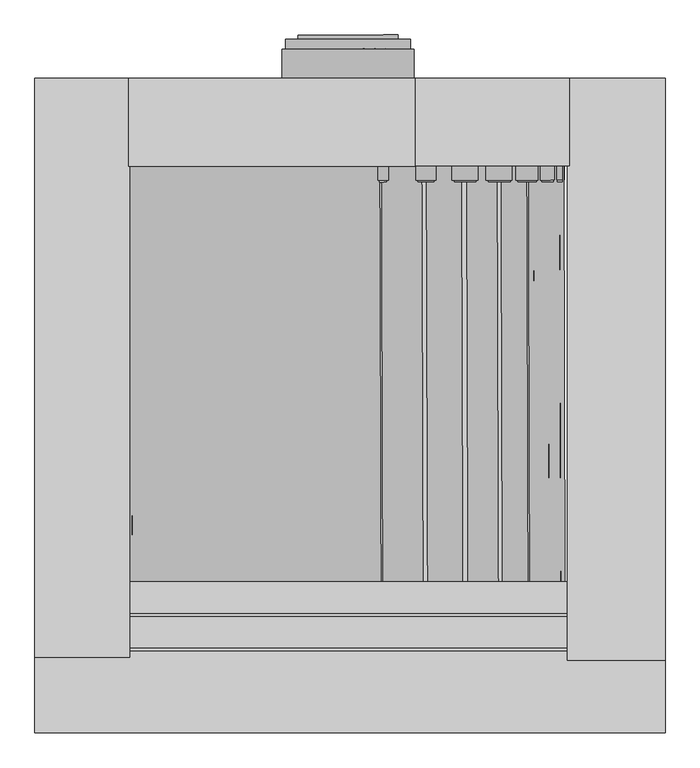
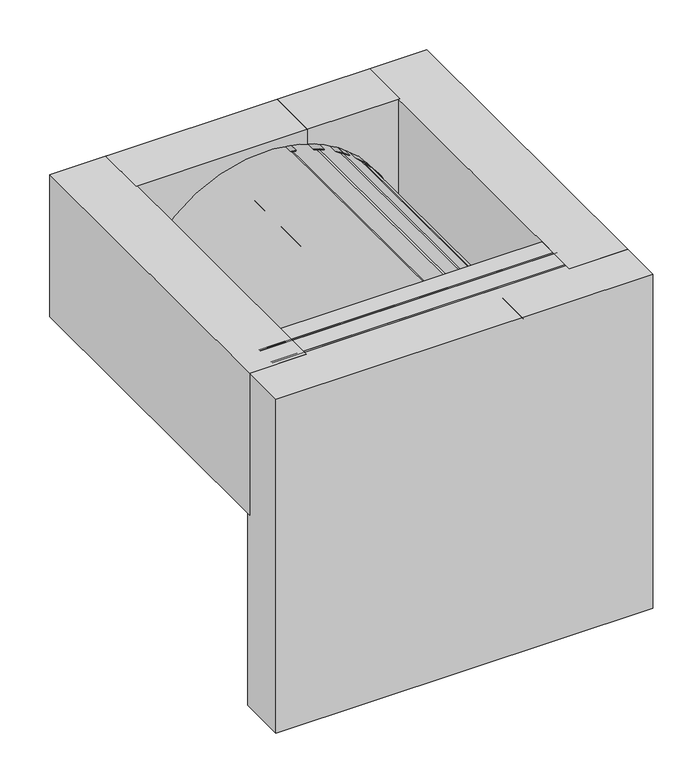
"""IFC4 building model written with IfcOpenShell, lengths in millimetres: proxy geometry."""

from ifc_helpers import new_model, si_unit, point, frame, origin, origin_2d, place, context, project, spatial, polyline, circle_curve, trimmed, segment, composite_curve, outline, extrude, source, transform, mapped, element, save


def generic_models_867c4f5e(model_context):
    return source(origin(), model_context, "Body", "SweptSolid", [
        extrude(outline(composite_curve([segment(trimmed(circle_curve(origin_2d(), 1380.0), [point((1379.8946179, -17.0541328))], [point((1380.0, 0.0))], False, "CARTESIAN"), True, "CONTINUOUS"), segment(polyline([(1380.0, 0.0), (0.0, 0.0), (1379.8946179, -17.0541328)]), True, "CONTINUOUS")], self_intersect=False)), frame((3578.5340826, 662.6848747, 0.0), z_axis=(-0.0029786797140731445, 0.9999955637237402, 0.0), x_axis=(0.8845773216527129, 0.002634884212610371, -0.4663861269408637)), (0.0, 0.0, 1.0), 103.7405281),
        extrude(outline(polyline([(4001.5173532, 755.1207534), (2173.0682724, 755.1207534), (2173.0682724, 1315.6937805), (4001.5173532, 1315.6937805), (4001.5173532, 755.1207534)])), frame((0.0, 0.0, -127.5172633), z_axis=(0.0, 0.0, 1.0), x_axis=(1.0, 0.0, 0.0)), (0.0, 0.0, 1.0), 1604.3415678),
        extrude(outline(polyline([(4989.9664339, 758.7127185), (4001.5173532, 758.7127185), (4001.5173532, 1315.6937805), (4989.9664339, 1315.6937805), (4989.9664339, 758.7127185)])), frame((0.0, 0.0, -127.5172633), z_axis=(0.0, 0.0, 1.0), x_axis=(1.0, 0.0, 0.0)), (0.0, 0.0, 1.0), 1604.3415678),
        extrude(outline(polyline([(5600.0, -2400.0), (4976.6068073, -2400.0), (4976.6068073, 1315.6937805), (5600.0, 1315.6937805), (5600.0, -2400.0)])), frame((0.0, 0.0, -127.5172633), z_axis=(0.0, 0.0, 1.0), x_axis=(1.0, 0.0, 0.0)), (0.0, 0.0, 1.0), 1604.3415678),
        extrude(outline(polyline([(2181.3561707, -2379.8491594), (1574.6878726, -2379.8491594), (1574.6878726, 1315.6937805), (2181.3561707, 1315.6937805), (2181.3561707, -2379.8491594)])), frame((0.0, 0.0, -127.5172633), z_axis=(0.0, 0.0, 1.0), x_axis=(1.0, 0.0, 0.0)), (0.0, 0.0, 1.0), 1604.3415678),
        extrude(outline(polyline([(5600.0, -2863.418806), (1574.6878726, -2863.418806), (1574.6878726, -2343.2679654), (5600.0, -2343.2679654), (5600.0, -2863.418806)])), frame((0.0, 0.0, -2295.265142), z_axis=(0.0, 0.0, 1.0), x_axis=(1.0, 0.0, 0.0)), (0.0, 0.0, 1.0), 3772.0894465),
        extrude(outline(polyline([(5300.0, -2343.2679654), (1839.9246698, -2343.2679654), (1839.9246698, -2323.418806), (5300.0, -2323.418806), (5300.0, -2343.2679654)])), frame((0.0, 0.0, -1967.1644979), z_axis=(0.0, 0.0, 1.0), x_axis=(1.0, 0.0, 0.0)), (0.0, 0.0, 1.0), 3443.9888025),
        extrude(outline(polyline([(5300.0, -2323.418806), (1839.9246698, -2323.418806), (1839.9246698, -2121.1364409), (5300.0, -2121.1364409), (5300.0, -2323.418806)])), frame((0.0, 0.0, -1695.2240481), z_axis=(0.0, 0.0, 1.0), x_axis=(1.0, 0.0, 0.0)), (0.0, 0.0, 1.0), 3172.0483526),
        extrude(outline(polyline([(5300.0, -2121.1364409), (1839.9246698, -2121.1364409), (1839.9246698, -2101.2872815), (5300.0, -2101.2872815), (5300.0, -2121.1364409)])), frame((0.0, 0.0, -1780.3229789), z_axis=(0.0, 0.0, 1.0), x_axis=(1.0, 0.0, 0.0)), (0.0, 0.0, 1.0), 3257.1472834),
        extrude(outline(polyline([(5300.0, -2101.2872815), (1839.9246698, -2101.2872815), (1839.9246698, -1899.0049163), (5300.0, -1899.0049163), (5300.0, -2101.2872815)])), frame((0.0, 0.0, -1403.0072383), z_axis=(0.0, 0.0, 1.0), x_axis=(1.0, 0.0, 0.0)), (0.0, 0.0, 1.0), 2879.8315428),
        extrude(outline(composite_curve([segment(trimmed(circle_curve(origin_2d(), 320.0), [point((319.9878381, -2.7898795))], [point((319.9999999, 0.0))], False, "CARTESIAN"), True, "CONTINUOUS"), segment(polyline([(319.9999999, 0.0), (0.0, 0.0), (319.9878381, -2.7898795)]), True, "CONTINUOUS")], self_intersect=False)), frame((3574.6185208, 1564.8131758, 0.0), z_axis=(-0.0029786797140731454, 0.9999955637237403, 0.0), x_axis=(-0.9333790143396117, -0.002780249469509706, -0.35888143697229924)), (0.0, 0.0, 1.0), 26.7447521),
        extrude(outline(composite_curve([segment(trimmed(circle_curve(origin_2d(), 420.0), [point((419.8776148, -10.1384725))], [point((420.0, 0.0))], False, "CARTESIAN"), True, "CONTINUOUS"), segment(polyline([(420.0, 0.0), (280.0, 0.0)]), True, "CONTINUOUS"), segment(trimmed(circle_curve(origin_2d(), 280.0), [point((280.0, 0.0))], [point((279.9184098, -6.7589817))], True, "CARTESIAN"), True, "CONTINUOUS"), segment(polyline([(279.9184098, -6.7589817), (419.8776148, -10.1384725)]), True, "CONTINUOUS")], self_intersect=False)), frame((3576.7905384, 735.2610546, 0.0), z_axis=(-0.0029786797140731467, 0.9999955637237403, 0.0), x_axis=(-0.9807152392777102, -0.0029212495479889254, -0.1954202797806361)), (0.0, 0.0, 1.0), 765.7975203),
        extrude(outline(composite_curve([segment(trimmed(circle_curve(origin_2d(), 1400.0), [point((320.7748585, -1362.7558439))], [point((1400.0, 0.0))], False, "CARTESIAN"), True, "CONTINUOUS"), segment(polyline([(1400.0, 0.0), (1220.0, 0.0)]), True, "CONTINUOUS"), segment(trimmed(circle_curve(origin_2d(), 1220.0), [point((1220.0, 0.0))], [point((279.5323768, -1187.5443782))], True, "CARTESIAN"), True, "CONTINUOUS"), segment(polyline([(279.5323768, -1187.5443782), (320.7748585, -1362.7558439)]), True, "CONTINUOUS")], self_intersect=False)), frame((3563.8111852, -1917.5740261, -12.4291167), z_axis=(-0.002978679714073146, 0.9999955637237403, 0.0), x_axis=(-0.8028547008193806, -0.0023914576198456185, -0.5961699508551864)), (0.0, 0.0, 1.0), 2672.0887263),
        extrude(outline(composite_curve([segment(trimmed(circle_curve(origin_2d(), 400.0), [point((399.9998019, -0.3981173))], [point((400.0, 0.0))], False, "CARTESIAN"), True, "CONTINUOUS"), segment(polyline([(400.0, 0.0), (0.0, 0.0), (399.9998019, -0.3981173)]), True, "CONTINUOUS")], self_intersect=False)), frame((3574.6185208, 1495.2613933, 0.0), z_axis=(-0.0029786797140731462, 0.9999955637237403, 0.0), x_axis=(0.8898196631969205, 0.002650499538296244, -0.4563046590166669)), (0.0, 0.0, 1.0), 69.5520911),
        extrude(outline(composite_curve([segment(trimmed(circle_curve(origin_2d(), 1380.0), [point((-917.8179008, -1030.5388402))], [point((1379.9999999, -1e-07))], False, "CARTESIAN"), True, "CONTINUOUS"), segment(polyline([(1379.9999999, -1e-07), (0.0, 0.0), (-917.8179008, -1030.5388402)]), True, "CONTINUOUS")], self_intersect=False)), frame((3573.9156392, -1914.4244368, 0.0), z_axis=(-0.0029786797140731467, 0.9999955637237403, 0.0), x_axis=(-0.9321982025964873, -0.0027767321939207177, -0.3619375648287997)), (0.0, 0.0, 1.0), 103.7405281),
        extrude(outline(composite_curve([segment(trimmed(circle_curve(origin_2d(), 400.0), [point((-266.0341741, -298.7069102))], [point((400.0, 0.0))], False, "CARTESIAN"), True, "CONTINUOUS"), segment(polyline([(400.0, 0.0), (280.0, -1e-07)]), True, "CONTINUOUS"), segment(trimmed(circle_curve(origin_2d(), 280.0), [point((280.0, -1e-07))], [point((-186.2239219, -209.0948372))], True, "CARTESIAN"), True, "CONTINUOUS"), segment(polyline([(-186.2239219, -209.0948372), (-266.0341741, -298.7069102)]), True, "CONTINUOUS")], self_intersect=False)), frame((3574.6185208, 735.2613933, 0.0), z_axis=(-0.0029786797140731467, 0.9999955637237403, 0.0), x_axis=(-0.9321982025964873, -0.0027767321939207177, -0.3619375648287997)), (0.0, 0.0, 1.0), 767.3561211),
        extrude(outline(composite_curve([segment(trimmed(circle_curve(origin_2d(), 1380.0), [point((1379.894618, -17.0541328))], [point((1380.0, 0.0))], False, "CARTESIAN"), True, "CONTINUOUS"), segment(polyline([(1380.0, 0.0), (0.0, 0.0), (1379.894618, -17.0541328)]), True, "CONTINUOUS")], self_intersect=False)), frame((3576.8523865, 652.2304047, 0.0), z_axis=(-0.0029786797140731445, 0.9999955637237402, 0.0), x_axis=(0.8845773216527129, 0.002634884212610371, -0.4663861269408637)), (0.0, 0.0, 1.0), 103.7405281),
        extrude(outline(composite_curve([segment(trimmed(circle_curve(origin_2d(), 1380.0), [point((1379.9958241, -3.3949252))], [point((1380.0, 0.0))], False, "CARTESIAN"), True, "CONTINUOUS"), segment(polyline([(1380.0, 0.0), (1240.0, 0.0)]), True, "CONTINUOUS"), segment(trimmed(circle_curve(origin_2d(), 1240.0), [point((1240.0, 0.0))], [point((1239.9962478, -3.0505125))], True, "CARTESIAN"), True, "CONTINUOUS"), segment(polyline([(1239.9962478, -3.0505125), (1379.9958241, -3.3949252)]), True, "CONTINUOUS")], self_intersect=False)), frame((3572.2056923, -1903.6130108, 0.0), z_axis=(-0.002978679714073145, 0.9999955637237402, 0.0), x_axis=(0.889150316915928, 0.0026485057612624153, -0.45760758226403697)), (0.0, 0.0, 1.0), 2652.5299616),
        extrude(outline(composite_curve([segment(trimmed(circle_curve(origin_2d(), 1380.0), [point((784.5665708, -1135.2776296))], [point((1379.9999999, 0.0))], False, "CARTESIAN"), True, "CONTINUOUS"), segment(polyline([(1379.9999999, 0.0), (1220.0, -1e-07)]), True, "CONTINUOUS"), segment(trimmed(circle_curve(origin_2d(), 1220.0), [point((1220.0, -1e-07))], [point((693.6023306, -1003.6512377))], True, "CARTESIAN"), True, "CONTINUOUS"), segment(polyline([(693.6023306, -1003.6512377), (784.5665708, -1135.2776296)]), True, "CONTINUOUS")], self_intersect=False)), frame((3552.5917181, -1915.052465, 0.0), z_axis=(-0.002978679714073147, 0.9999955637237403, 0.0), x_axis=(-0.49891613800829526, -0.001486117972138907, -0.8666489939348344)), (0.0, 0.0, 1.0), 2666.0350919),
    ])


if __name__ == "__main__":
    model = new_model("IFC4")
    model_context = context("Model", 3, world=origin())
    ifc_project = project(units=[si_unit("LENGTHUNIT", "METRE", prefix="MILLI")], contexts=[model_context])
    site = spatial("IfcSite", under=ifc_project)
    building = spatial("IfcBuilding", under=site)
    placement = place(None, origin())
    generic_models_shape = generic_models_867c4f5e(model_context)
    element("IfcBuildingElementProxy", 1, Name="Generic Models", at=placement, inside=building, context=model_context, shape_type="MappedRepresentation", body=[
        mapped(generic_models_shape, transform((0.0, 0.0, 0.0), x_axis=(1.0, 0.0, 0.0), y_axis=(0.0, 1.0, 0.0), z_axis=(0.0, 0.0, 1.0))),
    ])
    save(model, "model.ifc")
